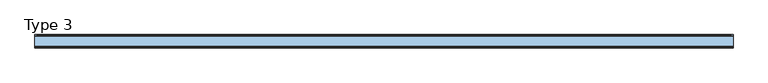
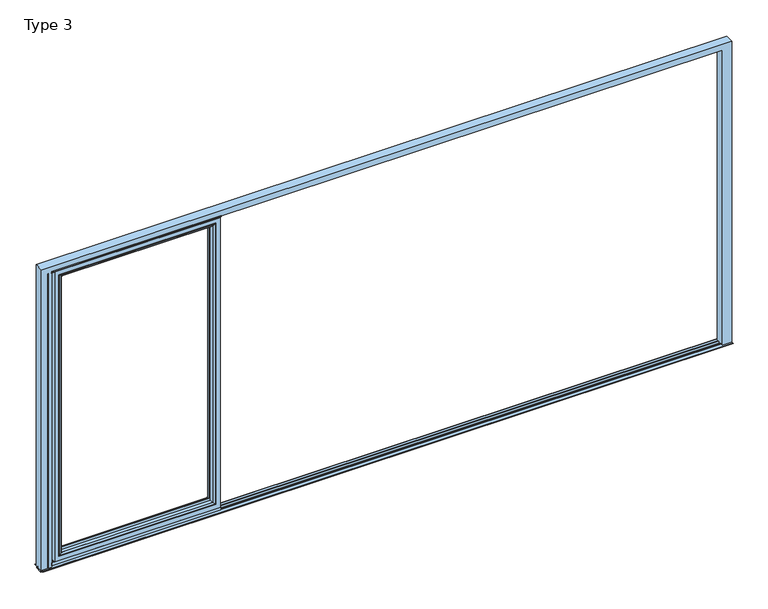
"""IFC4 building model written with IfcOpenShell, lengths in millimetres: window geometry, Type 3."""

from ifc_helpers import new_model, si_unit, point, frame, frame_2d, origin, place, context, project, spatial, polyline, circle_curve, ellipse_curve, trimmed, segment, composite_curve, outline, extrude, source, transform, mapped, element, save
from ifc_brep_helpers import plane_surface, cylinder_surface, advanced_brep


def type_3_8891b715(model_context):
    return source(origin(), model_context, "Body", "SolidModel", [
        advanced_brep(
        [(-1303.4245728, -64.5552044, 2283.0004272), (-1303.4245728, -37.9928974, 2283.0004272), (-1303.4245728, -37.9928974, 91.4995728), (-1303.4245728, -64.5552044, 91.4995728), (-1281.425, -37.9928974, 2305.0), (-1281.425, -37.9928974, 69.5), (-2459.5, -37.9928974, 69.5), (-2459.5, -37.9928974, 2305.0), (-2437.5004272, -37.9928974, 2283.0004272), (-2437.5004272, -37.9928974, 91.4995728), (-2437.5004272, -64.5552044, 91.4995728), (-1302.7150293, -65.8045072, 2283.7099707), (-1302.7150293, -65.8045072, 90.7900293), (-2438.2099707, -65.8045072, 90.7900293), (-1287.424939, -70.0, 2299.000061), (-1287.424939, -70.0, 75.499939), (-2453.500061, -70.0, 75.499939), (-2459.5, -70.0, 2305.0), (-2459.5, -70.0, 69.5), (-1281.425, -70.0, 69.5), (-1281.425, -70.0, 2305.0), (-2453.500061, -70.0, 2299.000061), (-2437.5004272, -64.5552044, 2283.0004272), (-2438.2099707, -65.8045072, 2283.7099707)],
        [
            (0, 1),
            (1, 2),
            (2, 3),
            (3, 0),
            (4, 5),
            (5, 6),
            (6, 7),
            (7, 4),
            (8, 9),
            (9, 2),
            (1, 8),
            (9, 10),
            (10, 3),
            (11, 0, ellipse_curve(frame((-1301.9699688, -64.5552044, 2284.4550312), z_axis=(0.7071067811865475, 0.0, -0.7071067811865475), x_axis=(0.7071067811865474, 0.0, 0.7071067811865476)), 2.0571207, 1.454604)),
            (3, 12, ellipse_curve(frame((-1301.9699688, -64.5552044, 90.0449688), z_axis=(0.7071067811865475, 0.0, 0.7071067811865475), x_axis=(-0.7071067811865474, 0.0, 0.7071067811865476)), 2.0571207, 1.454604)),
            (12, 11),
            (10, 13, ellipse_curve(frame((-2438.9550312, -64.5552044, 90.0449688), z_axis=(0.7071067811865475, 0.0, -0.7071067811865475), x_axis=(0.7071067811865476, 0.0, 0.7071067811865474)), 2.0571207, 1.454604)),
            (13, 12),
            (14, 11, ellipse_curve(frame((-1287.4888746, -40.2735922, 2298.9361254), z_axis=(0.7071067811865475, 0.0, -0.7071067811865475), x_axis=(0.7071067811865474, 0.0, 0.7071067811865476)), 42.0395863, 29.7264765)),
            (12, 15, ellipse_curve(frame((-1287.4888746, -40.2735922, 75.5638746), z_axis=(0.7071067811865475, 0.0, 0.7071067811865475), x_axis=(-0.7071067811865474, 0.0, 0.7071067811865476)), 42.0395863, 29.7264765)),
            (15, 14),
            (13, 16, ellipse_curve(frame((-2453.4361254, -40.2735922, 75.5638746), z_axis=(0.7071067811865475, 0.0, -0.7071067811865475), x_axis=(0.7071067811865476, 0.0, 0.7071067811865474)), 42.0395863, 29.7264765)),
            (16, 15),
            (17, 18),
            (18, 19),
            (19, 20),
            (20, 17),
            (16, 21),
            (21, 14),
            (4, 20),
            (19, 5),
            (18, 6),
            (8, 22),
            (22, 10),
            (22, 23, ellipse_curve(frame((-2438.9550312, -64.5552044, 2284.4550312), z_axis=(-0.7071067811865475, 0.0, -0.7071067811865475), x_axis=(0.7071067811865474, 0.0, -0.7071067811865476)), 2.0571207, 1.454604)),
            (23, 13),
            (23, 21, ellipse_curve(frame((-2453.4361254, -40.2735922, 2298.9361254), z_axis=(-0.7071067811865475, 0.0, -0.7071067811865475), x_axis=(0.7071067811865474, 0.0, -0.7071067811865476)), 42.0395863, 29.7264765)),
            (17, 7),
            (0, 22),
            (11, 23),
        ],
        [
            plane_surface(frame((-1303.4245728, -37.9928974, 2283.0004272), z_axis=(-1.0, 0.0, 0.0), x_axis=(0.0, 0.0, -1.0))),
            plane_surface(frame((-2459.5, -37.9928974, 69.5), z_axis=(0.0, 1.0, 0.0), x_axis=(0.0, 0.0, 1.0))),
            plane_surface(frame((-1303.4245728, -37.9928974, 91.4995728), z_axis=(0.0, 0.0, 1.0), x_axis=(-1.0, 0.0, 0.0))),
            cylinder_surface(frame((-1301.9699688, -64.5552044, 2283.0004272), z_axis=(0.0, 0.0, 1.0), x_axis=(1.0, 0.0, 0.0)), 1.454604),
            cylinder_surface(frame((-1303.4245728, -64.5552044, 90.0449688), z_axis=(1.0, 0.0, 0.0), x_axis=(0.0, 0.0, -1.0)), 1.454604),
            cylinder_surface(frame((-1287.4888746, -40.2735922, 2283.0004272), z_axis=(0.0, 0.0, 1.0), x_axis=(1.0, 0.0, 0.0)), 29.7264765),
            cylinder_surface(frame((-1303.4245728, -40.2735922, 75.5638746), z_axis=(1.0, 0.0, 0.0), x_axis=(0.0, 0.0, -1.0)), 29.7264765),
            plane_surface(frame((-2453.500061, -70.0, 75.499939), z_axis=(0.0, -1.0, 0.0), x_axis=(0.0, 0.0, 1.0))),
            plane_surface(frame((-1281.425, -70.0, 2305.0), z_axis=(1.0, 0.0, 0.0), x_axis=(0.0, 0.0, -1.0))),
            plane_surface(frame((-1281.425, -70.0, 69.5), z_axis=(0.0, 0.0, -1.0), x_axis=(-1.0, 0.0, 0.0))),
            plane_surface(frame((-2437.5004272, -37.9928974, 91.4995728), z_axis=(1.0, 0.0, 0.0), x_axis=(0.0, 0.0, 1.0))),
            cylinder_surface(frame((-2438.9550312, -64.5552044, 91.4995728), z_axis=(0.0, 0.0, -1.0), x_axis=(-1.0, 0.0, 0.0)), 1.454604),
            cylinder_surface(frame((-2453.4361254, -40.2735922, 91.4995728), z_axis=(0.0, 0.0, -1.0), x_axis=(-1.0, 0.0, 0.0)), 29.7264765),
            plane_surface(frame((-2459.5, -70.0, 69.5), z_axis=(-1.0, 0.0, 0.0), x_axis=(0.0, 0.0, 1.0))),
            plane_surface(frame((-2437.5004272, -37.9928974, 2283.0004272), z_axis=(0.0, 0.0, -1.0), x_axis=(1.0, 0.0, 0.0))),
            cylinder_surface(frame((-2437.5004272, -64.5552044, 2284.4550312), z_axis=(-1.0, 0.0, 0.0), x_axis=(0.0, 0.0, 1.0)), 1.454604),
            cylinder_surface(frame((-2437.5004272, -40.2735922, 2298.9361254), z_axis=(-1.0, 0.0, 0.0), x_axis=(0.0, 0.0, 1.0)), 29.7264765),
            plane_surface(frame((-2459.5, -70.0, 2305.0), z_axis=(0.0, 0.0, 1.0), x_axis=(1.0, 0.0, 0.0))),
        ],
        [
            (0, [[1, 2, 3, 4]]),
            (1, [[5, 6, 7, 8], [9, 10, -2, 11]]),
            (2, [[-3, -10, 12, 13]]),
            (3, [[14, -4, 15, 16]]),
            (4, [[-15, -13, 17, 18]]),
            (5, [[19, -16, 20, 21]]),
            (6, [[-20, -18, 22, 23]]),
            (7, [[24, 25, 26, 27], [-21, -23, 28, 29]]),
            (8, [[30, -26, 31, -5]]),
            (9, [[-31, -25, 32, -6]]),
            (10, [[-12, -9, 33, 34]]),
            (11, [[-17, -34, 35, 36]]),
            (12, [[-22, -36, 37, -28]]),
            (13, [[-32, -24, 38, -7]]),
            (14, [[-33, -11, -1, 39]]),
            (15, [[-35, -39, -14, 40]]),
            (16, [[-37, -40, -19, -29]]),
            (17, [[-38, -27, -30, -8]]),
        ],
    ),
        advanced_brep(
        [(-2491.5, -70.0, 2337.0), (-2491.5, 0.0, 2337.0), (-2491.5, 0.0, 37.5), (-2491.5, -70.0, 37.5), (-1249.425, 0.0, 37.5), (-1249.425, -70.0, 37.5), (-1249.425, 0.0, 2337.0), (-1298.9241901, 0.0, 86.9991901), (-1298.9241901, 0.0, 2287.5008099), (-2442.0008099, 0.0, 2287.5008099), (-2442.0008099, 0.0, 86.9991901), (-1249.425, -70.0, 2337.0), (-2459.5, -70.0, 69.5), (-2459.5, -70.0, 2305.0), (-1281.425, -70.0, 2305.0), (-1281.425, -70.0, 69.5), (-2459.5, -13.999939, 2305.0), (-2459.5, -13.999939, 69.5), (-1281.425, -13.999939, 69.5), (-1281.425, -13.999939, 2305.0), (-2437.5004272, -13.999939, 91.4995728), (-2437.5004272, -13.999939, 2283.0004272), (-1303.4245728, -13.999939, 2283.0004272), (-1303.4245728, -13.999939, 91.4995728), (-2437.5004272, -4.5004435, 2283.0004272), (-2437.5004272, -4.5004435, 91.4995728), (-1303.4245728, -4.5004435, 91.4995728), (-1303.4245728, -4.5004435, 2283.0004272)],
        [
            (0, 1),
            (1, 2),
            (2, 3),
            (3, 0),
            (2, 4),
            (4, 5),
            (5, 3),
            (1, 6),
            (6, 4),
            (7, 8),
            (8, 9),
            (9, 10),
            (10, 7),
            (6, 11),
            (11, 5),
            (11, 0),
            (12, 13),
            (13, 14),
            (14, 15),
            (15, 12),
            (16, 13),
            (12, 17),
            (17, 16),
            (15, 18),
            (18, 17),
            (14, 19),
            (19, 18),
            (19, 16),
            (20, 21),
            (21, 22),
            (22, 23),
            (23, 20),
            (24, 21),
            (20, 25),
            (25, 24),
            (23, 26),
            (26, 25),
            (22, 27),
            (27, 26),
            (10, 25, ellipse_curve(frame((-2442.0008099, -4.5004435, 86.9991901), z_axis=(0.7071067811865475, 0.0, -0.7071067811865475), x_axis=(-0.7071067811865476, 0.0, -0.7071067811865474)), 6.3645023, 4.5003827)),
            (26, 7, ellipse_curve(frame((-1298.9241901, -4.5004435, 86.9991901), z_axis=(-0.7071067811865475, 0.0, -0.7071067811865475), x_axis=(-0.7071067811865476, 0.0, 0.7071067811865474)), 6.3645023, 4.5003827)),
            (9, 24, ellipse_curve(frame((-2442.0008099, -4.5004435, 2287.5008099), z_axis=(-0.7071067811865475, 0.0, -0.7071067811865475), x_axis=(-0.7071067811865474, 0.0, 0.7071067811865476)), 6.3645023, 4.5003827)),
            (27, 8, ellipse_curve(frame((-1298.9241901, -4.5004435, 2287.5008099), z_axis=(0.7071067811865475, 0.0, -0.7071067811865475), x_axis=(-0.7071067811865474, 0.0, -0.7071067811865476)), 6.3645023, 4.5003827)),
            (24, 27),
        ],
        [
            plane_surface(frame((-2491.5, 0.0, 2337.0), z_axis=(-1.0, 0.0, 0.0), x_axis=(0.0, 0.0, -1.0))),
            plane_surface(frame((-2491.5, 0.0, 37.5), z_axis=(0.0, 0.0, -1.0), x_axis=(1.0, 0.0, 0.0))),
            plane_surface(frame((-2442.0008099, 0.0, 2287.5008099), z_axis=(0.0, 1.0, 0.0), x_axis=(0.0, 0.0, -1.0))),
            plane_surface(frame((-1249.425, 0.0, 37.5), z_axis=(1.0, 0.0, 0.0), x_axis=(0.0, 0.0, 1.0))),
            plane_surface(frame((-2491.5, -70.0, 2337.0), z_axis=(0.0, -1.0, 0.0), x_axis=(0.0, 0.0, -1.0))),
            plane_surface(frame((-2459.5, -70.0, 2305.0), z_axis=(1.0, 0.0, 0.0), x_axis=(0.0, 0.0, -1.0))),
            plane_surface(frame((-2459.5, -70.0, 69.5), z_axis=(0.0, 0.0, 1.0), x_axis=(1.0, 0.0, 0.0))),
            plane_surface(frame((-1281.425, -70.0, 69.5), z_axis=(-1.0, 0.0, 0.0), x_axis=(0.0, 0.0, 1.0))),
            plane_surface(frame((-2459.5, -13.999939, 2305.0), z_axis=(0.0, -1.0, 0.0), x_axis=(0.0, 0.0, -1.0))),
            plane_surface(frame((-2437.5004272, -13.999939, 2283.0004272), z_axis=(1.0, 0.0, 0.0), x_axis=(0.0, 0.0, -1.0))),
            plane_surface(frame((-2437.5004272, -13.999939, 91.4995728), z_axis=(0.0, 0.0, 1.0), x_axis=(1.0, 0.0, 0.0))),
            plane_surface(frame((-1303.4245728, -13.999939, 91.4995728), z_axis=(-1.0, 0.0, 0.0), x_axis=(0.0, 0.0, 1.0))),
            cylinder_surface(frame((-2497.5, -4.5004435, 86.9991901), z_axis=(-1.0, 0.0, 0.0), x_axis=(0.0, -1.0, 0.0)), 4.5003827),
            cylinder_surface(frame((-2442.0008099, -4.5004435, 2343.0), z_axis=(0.0, 0.0, 1.0), x_axis=(0.0, -1.0, 0.0)), 4.5003827),
            cylinder_surface(frame((-1298.9241901, -4.5004435, 31.5), z_axis=(0.0, 0.0, -1.0), x_axis=(0.0, -1.0, 0.0)), 4.5003827),
            plane_surface(frame((-1249.425, 0.0, 2337.0), z_axis=(0.0, 0.0, 1.0), x_axis=(-1.0, 0.0, 0.0))),
            plane_surface(frame((-1281.425, -70.0, 2305.0), z_axis=(0.0, 0.0, -1.0), x_axis=(-1.0, 0.0, 0.0))),
            plane_surface(frame((-1303.4245728, -13.999939, 2283.0004272), z_axis=(0.0, 0.0, -1.0), x_axis=(-1.0, 0.0, 0.0))),
            cylinder_surface(frame((-1243.425, -4.5004435, 2287.5008099), z_axis=(1.0, 0.0, 0.0), x_axis=(0.0, -1.0, 0.0)), 4.5003827),
        ],
        [
            (0, [[1, 2, 3, 4]]),
            (1, [[-3, 5, 6, 7]]),
            (2, [[-2, 8, 9, -5], [10, 11, 12, 13]]),
            (3, [[-6, -9, 14, 15]]),
            (4, [[-15, 16, -4, -7], [17, 18, 19, 20]]),
            (5, [[21, -17, 22, 23]]),
            (6, [[-22, -20, 24, 25]]),
            (7, [[-24, -19, 26, 27]]),
            (8, [[-27, 28, -23, -25], [29, 30, 31, 32]]),
            (9, [[33, -29, 34, 35]]),
            (10, [[-34, -32, 36, 37]]),
            (11, [[-36, -31, 38, 39]]),
            (12, [[40, -37, 41, -13]]),
            (13, [[42, -35, -40, -12]]),
            (14, [[-41, -39, 43, -10]]),
            (15, [[-14, -8, -1, -16]]),
            (16, [[-26, -18, -21, -28]]),
            (17, [[-38, -30, -33, 44]]),
            (18, [[-43, -44, -42, -11]]),
        ],
    ),
        extrude(outline(polyline([(-2514.0, -7.6000076), (-2514.0, 0.0), (-1243.425, 0.0), (-1243.425, -7.6000076), (-2514.0, -7.6000076)])), frame((0.0, 0.0, 15.4995117), z_axis=(0.0, 0.0, 1.0), x_axis=(1.0, 0.0, 0.0)), (0.0, 0.0, 1.0), 22.0004883),
        extrude(outline(polyline([(-2514.0, -70.0), (-2514.0, -62.2757497), (-1243.425, -62.2757497), (-1243.425, -70.0), (-2514.0, -70.0)])), frame((0.0, 0.0, 15.4995117), z_axis=(0.0, 0.0, 1.0), x_axis=(1.0, 0.0, 0.0)), (0.0, 0.0, 1.0), 22.0004883),
        extrude(outline(composite_curve([segment(polyline([(-52.044326, 2339.1400778), (-52.044326, 2337.0), (-70.0, 2337.0), (-71.8735116, 2343.9547971)]), True, "CONTINUOUS"), segment(trimmed(circle_curve(frame_2d((-69.9423544, 2344.4750201)), 2.0), [point((-71.8735116, 2343.9547971))], [point((-71.8738669, 2344.9939222))], False, "CARTESIAN"), True, "CONTINUOUS"), segment(polyline([(-71.8738669, 2344.9939222), (-70.8937897, 2348.6420698), (-70.0, 2348.6420698), (-70.0, 2342.963961), (-68.6363596, 2339.1400778), (-52.044326, 2339.1400778)]), True, "CONTINUOUS")], self_intersect=False)), frame((-2514.0, 0.0, 0.0), z_axis=(1.0, 0.0, 0.0), x_axis=(0.0, 1.0, 0.0)), (0.0, 0.0, 1.0), 1270.575),
        advanced_brep(
        [(-2540.0003662, -66.4999084, 0.0), (-2540.0003662, -70.0, 0.0), (-2540.0003662, -70.0, 2345.0), (-2540.0003662, -66.4999084, 2345.0), (-2545.0, -66.4999084, 0.0), (-2545.0, -66.4999084, 2345.0), (2540.0003662, -66.4999084, 0.0), (2545.0, -66.4999084, 0.0), (2545.0, -66.4999084, 2345.0), (2540.0003662, -66.4999084, 2345.0), (2540.0003662, -70.0, 0.0), (2540.0003662, -70.0, 2345.0), (-2514.0001526, -70.0, 0.0), (-2514.0001526, 0.0, 0.0), (-2514.0001526, 0.0, 2330.0000916), (-2514.0001526, 0.0, 2365.9997864), (-2514.0001526, -14.1501312, 2365.9997864), (-2514.0001526, -14.1501312, 2349.000061), (-2514.0001526, -23.7500839, 2349.000061), (-2514.0001526, -23.7500839, 2365.9997864), (-2514.0001526, -46.25, 2365.9997864), (-2514.0001526, -46.25, 2349.000061), (-2514.0001526, -55.8499756, 2349.000061), (-2514.0001526, -55.8499756, 2365.9997864), (-2514.0001526, -66.5, 2365.9997864), (-2514.0001526, -66.5, 2345.0), (-2514.0001526, -70.0, 2345.0), (2518.7961345, 0.0, 0.0), (2518.7961345, -70.0, 0.0), (2518.7961345, -70.0, 2345.0), (2518.7961345, -66.5, 2345.0), (2518.7961345, -66.5, 2365.9997864), (2518.7961345, -55.8499756, 2365.9997864), (2518.7961345, -55.8499756, 2349.000061), (2518.7961345, -46.25, 2349.000061), (2518.7961345, -46.25, 2365.9997864), (2518.7961345, -23.7500839, 2365.9997864), (2518.7961345, -23.7500839, 2349.000061), (2518.7961345, -14.1501312, 2349.000061), (2518.7961345, -14.1501312, 2365.9997864), (2518.7961345, 0.0, 2365.9997864), (2518.7961345, 0.0, 2330.0000916), (-2530.0000916, 0.0, 0.0), (-2530.0000916, 0.0, 2330.0000916), (2530.0000916, 0.0, 0.0), (2530.0000916, 0.0, 2330.0000916), (2590.0, 0.0, 0.0), (2577.999939, 0.0, 0.0), (2577.999939, 0.0, 2377.999939), (-2577.999939, 0.0, 2377.999939), (-2577.999939, 0.0, 0.0), (-2590.0, 0.0, 0.0), (-2590.0, 0.0, 2390.0), (2590.0, 0.0, 2390.0), (-2545.0, -70.0, 0.0), (-2590.0, -70.0, 0.0), (-2577.999939, 5.4999847, 0.0), (-2573.499939, 9.9999847, 0.0), (-2532.5000916, 9.9999847, 0.0), (-2530.0000916, 7.4999847, 0.0), (-2545.0, -70.0, 2345.0), (2545.0, -70.0, 0.0), (2590.0, -70.0, 0.0), (2590.0, -70.0, 2390.0), (-2590.0, -70.0, 2390.0), (2545.0, -70.0, 2345.0), (-2577.999939, 5.4999847, 2377.999939), (-2573.499939, 9.9999847, 2373.499939), (2573.499939, 9.9999847, 0.0), (2532.5000916, 9.9999847, 0.0), (2532.5000916, 9.9999847, 2332.5000916), (-2532.5000916, 9.9999847, 2332.5000916), (2573.499939, 9.9999847, 2373.499939), (-2530.0000916, 7.4999847, 2330.0000916), (2530.0000916, 7.4999847, 0.0), (2577.999939, 5.4999847, 0.0), (2577.999939, 5.4999847, 2377.999939), (2530.0000916, 7.4999847, 2330.0000916)],
        [
            (0, 1),
            (1, 2),
            (2, 3),
            (3, 0),
            (4, 0),
            (3, 5),
            (5, 4),
            (6, 7),
            (7, 8),
            (8, 9),
            (9, 6),
            (10, 6),
            (9, 11),
            (11, 10),
            (12, 13),
            (13, 14),
            (14, 15),
            (15, 16),
            (16, 17),
            (17, 18),
            (18, 19),
            (19, 20),
            (20, 21),
            (21, 22),
            (22, 23),
            (23, 24),
            (24, 25),
            (25, 26),
            (26, 12),
            (27, 28),
            (28, 29),
            (29, 30),
            (30, 31),
            (31, 32),
            (32, 33),
            (33, 34),
            (34, 35),
            (35, 36),
            (36, 37),
            (37, 38),
            (38, 39),
            (39, 40),
            (40, 41),
            (41, 27),
            (13, 42),
            (42, 43),
            (43, 14),
            (44, 27),
            (41, 45),
            (45, 44),
            (46, 47),
            (47, 48),
            (48, 49),
            (49, 50),
            (50, 51),
            (51, 52),
            (52, 53),
            (53, 46),
            (4, 54),
            (54, 55),
            (55, 51),
            (50, 56),
            (56, 57, circle_curve(frame((-2573.499939, 5.4999847, 0.0), z_axis=(0.0, 0.0, -1.0), x_axis=(1.0, 0.0, 0.0)), 4.5)),
            (57, 58),
            (58, 59, circle_curve(frame((-2532.5000916, 7.4999847, 0.0), z_axis=(0.0, 0.0, -1.0), x_axis=(1.0, 0.0, 0.0)), 2.5)),
            (59, 42),
            (12, 1),
            (60, 54),
            (5, 60),
            (61, 62),
            (62, 63),
            (63, 64),
            (64, 55),
            (60, 2),
            (26, 29),
            (28, 10),
            (11, 65),
            (65, 61),
            (64, 52),
            (49, 66),
            (66, 56),
            (67, 57),
            (66, 67, ellipse_curve(frame((-2573.499939, 5.4999847, 2373.499939), z_axis=(-0.7071067811865475, 0.0, -0.7071067811865475), x_axis=(-0.7071067811865474, 0.0, 0.7071067811865476)), 6.363961, 4.5)),
            (68, 69),
            (69, 70),
            (70, 71),
            (71, 58),
            (67, 72),
            (72, 68),
            (71, 73, ellipse_curve(frame((-2532.5000916, 7.4999847, 2332.5000916), z_axis=(-0.7071067811865475, 0.0, -0.7071067811865475), x_axis=(-0.7071067811865474, 0.0, 0.7071067811865476)), 3.5355339, 2.5)),
            (73, 59),
            (73, 43),
            (44, 74),
            (74, 69, circle_curve(frame((2532.5000916, 7.4999847, 0.0), z_axis=(0.0, 0.0, -1.0), x_axis=(-1.0, 0.0, 0.0)), 2.5)),
            (68, 75, circle_curve(frame((2573.499939, 5.4999847, 0.0), z_axis=(0.0, 0.0, -1.0), x_axis=(-1.0, 0.0, 0.0)), 4.5)),
            (75, 47),
            (46, 62),
            (61, 7),
            (53, 63),
            (65, 8),
            (75, 76),
            (76, 48),
            (45, 77),
            (77, 74),
            (77, 70, ellipse_curve(frame((2532.5000916, 7.4999847, 2332.5000916), z_axis=(0.7071067811865475, 0.0, -0.7071067811865475), x_axis=(-0.7071067811865474, 0.0, -0.7071067811865476)), 3.5355339, 2.5)),
            (72, 76, ellipse_curve(frame((2573.499939, 5.4999847, 2373.499939), z_axis=(0.7071067811865475, 0.0, -0.7071067811865475), x_axis=(-0.7071067811865474, 0.0, -0.7071067811865476)), 6.363961, 4.5)),
            (25, 30),
            (40, 15),
            (14, 41),
            (39, 16),
            (38, 17),
            (37, 18),
            (36, 19),
            (35, 20),
            (34, 21),
            (33, 22),
            (32, 23),
            (31, 24),
            (76, 66),
            (73, 77),
        ],
        [
            plane_surface(frame((-2540.0003662, -66.4999084, 2390.0), z_axis=(-1.0, 0.0, 0.0), x_axis=(0.0, 0.0, -1.0))),
            plane_surface(frame((-2565.9997864, -66.4999084, 2390.0), z_axis=(0.0, -1.0, 0.0), x_axis=(0.0, 0.0, -1.0))),
            plane_surface(frame((2540.0003662, -66.4999084, 2390.0), z_axis=(0.0, -1.0, 0.0), x_axis=(0.0, 0.0, -1.0))),
            plane_surface(frame((2540.0003662, -70.0, 2390.0), z_axis=(1.0, 0.0, 0.0), x_axis=(0.0, 0.0, -1.0))),
            plane_surface(frame((-2514.0001526, -70.0, 2390.0), z_axis=(1.0, 0.0, 0.0), x_axis=(0.0, 0.0, -1.0))),
            plane_surface(frame((2518.7961345, 0.0, 2390.0), z_axis=(-1.0, 0.0, 0.0), x_axis=(0.0, 0.0, -1.0))),
            plane_surface(frame((-2514.0001526, 0.0, 2390.0), z_axis=(0.0, 1.0, 0.0), x_axis=(0.0, 0.0, -1.0))),
            plane_surface(frame((-2590.0, -70.0, 0.0), z_axis=(0.0, 0.0, -1.0), x_axis=(0.0, -1.0, 0.0))),
            plane_surface(frame((-2545.0, -70.0, 2345.0), z_axis=(1.0, 0.0, 0.0), x_axis=(0.0, 0.0, -1.0))),
            plane_surface(frame((-2540.0003662, -70.0, 2390.0), z_axis=(0.0, -1.0, 0.0), x_axis=(0.0, 0.0, -1.0))),
            plane_surface(frame((-2590.0, 0.0, 2390.0), z_axis=(-1.0, 0.0, 0.0), x_axis=(0.0, 0.0, -1.0))),
            plane_surface(frame((-2577.999939, 5.4999847, 2377.999939), z_axis=(-1.0, 0.0, 0.0), x_axis=(0.0, 0.0, -1.0))),
            cylinder_surface(frame((-2573.499939, 5.4999847, 2390.0), z_axis=(0.0, 0.0, 1.0), x_axis=(1.0, 0.0, 0.0)), 4.5),
            plane_surface(frame((2532.5000916, 9.9999847, 0.0), z_axis=(0.0, 1.0, 0.0), x_axis=(0.0, 0.0, 1.0))),
            cylinder_surface(frame((-2532.5000916, 7.4999847, 2390.0), z_axis=(0.0, 0.0, 1.0), x_axis=(1.0, 0.0, 0.0)), 2.5),
            plane_surface(frame((-2530.0000916, 0.0, 2330.0000916), z_axis=(1.0, 0.0, 0.0), x_axis=(0.0, 0.0, -1.0))),
            plane_surface(frame((2590.0, -70.0, 0.0), z_axis=(0.0, 0.0, -1.0), x_axis=(0.0, -1.0, 0.0))),
            plane_surface(frame((2590.0, 0.0, 0.0), z_axis=(1.0, 0.0, 0.0), x_axis=(0.0, 0.0, 1.0))),
            plane_surface(frame((2545.0, -70.0, 0.0), z_axis=(-1.0, 0.0, 0.0), x_axis=(0.0, 0.0, 1.0))),
            plane_surface(frame((2577.999939, 5.4999847, 0.0), z_axis=(1.0, 0.0, 0.0), x_axis=(0.0, 0.0, 1.0))),
            plane_surface(frame((2530.0000916, 0.0, 0.0), z_axis=(-1.0, 0.0, 0.0), x_axis=(0.0, 0.0, 1.0))),
            cylinder_surface(frame((2532.5000916, 7.4999847, 0.0), z_axis=(0.0, 0.0, -1.0), x_axis=(-1.0, 0.0, 0.0)), 2.5),
            cylinder_surface(frame((2573.499939, 5.4999847, 0.0), z_axis=(0.0, 0.0, -1.0), x_axis=(-1.0, 0.0, 0.0)), 4.5),
            plane_surface(frame((-2590.0, -70.0, 2390.0), z_axis=(0.0, 0.0, 1.0), x_axis=(0.0, -1.0, 0.0))),
            plane_surface(frame((2545.0, -70.0, 2345.0), z_axis=(0.0, 0.0, -1.0), x_axis=(-1.0, 0.0, 0.0))),
            plane_surface(frame((2565.9997864, 0.0, 0.0), z_axis=(0.0, -1.0, 0.0), x_axis=(0.0, 0.0, 1.0))),
            plane_surface(frame((2565.9997864, -14.1501312, 2365.9997864), z_axis=(0.0, 0.0, -1.0), x_axis=(-1.0, 0.0, 0.0))),
            plane_surface(frame((2549.000061, -14.1501312, 0.0), z_axis=(0.0, 1.0, 0.0), x_axis=(0.0, 0.0, 1.0))),
            plane_surface(frame((2549.000061, -23.7500839, 2349.000061), z_axis=(0.0, 0.0, -1.0), x_axis=(-1.0, 0.0, 0.0))),
            plane_surface(frame((2565.9997864, -23.7500839, 0.0), z_axis=(0.0, -1.0, 0.0), x_axis=(0.0, 0.0, 1.0))),
            plane_surface(frame((2565.9997864, -46.25, 2365.9997864), z_axis=(0.0, 0.0, -1.0), x_axis=(-1.0, 0.0, 0.0))),
            plane_surface(frame((2549.000061, -46.25, 0.0), z_axis=(0.0, 1.0, 0.0), x_axis=(0.0, 0.0, 1.0))),
            plane_surface(frame((2549.000061, -55.8499756, 2349.000061), z_axis=(0.0, 0.0, -1.0), x_axis=(-1.0, 0.0, 0.0))),
            plane_surface(frame((2565.9997864, -55.8499756, 0.0), z_axis=(0.0, -1.0, 0.0), x_axis=(0.0, 0.0, 1.0))),
            plane_surface(frame((2565.9997864, -66.5, 2365.9997864), z_axis=(0.0, 0.0, -1.0), x_axis=(-1.0, 0.0, 0.0))),
            plane_surface(frame((2545.0, -66.5, 0.0), z_axis=(0.0, 1.0, 0.0), x_axis=(0.0, 0.0, 1.0))),
            plane_surface(frame((2577.999939, 5.4999847, 2377.999939), z_axis=(0.0, 0.0, 1.0), x_axis=(-1.0, 0.0, 0.0))),
            plane_surface(frame((2530.0000916, 0.0, 2330.0000916), z_axis=(0.0, 0.0, -1.0), x_axis=(-1.0, 0.0, 0.0))),
            cylinder_surface(frame((2590.0, 7.4999847, 2332.5000916), z_axis=(1.0, 0.0, 0.0), x_axis=(0.0, 0.0, -1.0)), 2.5),
            cylinder_surface(frame((2590.0, 5.4999847, 2373.499939), z_axis=(1.0, 0.0, 0.0), x_axis=(0.0, 0.0, -1.0)), 4.5),
        ],
        [
            (0, [[1, 2, 3, 4]]),
            (1, [[5, -4, 6, 7]]),
            (2, [[8, 9, 10, 11]]),
            (3, [[12, -11, 13, 14]]),
            (4, [[15, 16, 17, 18, 19, 20, 21, 22, 23, 24, 25, 26, 27, 28, 29]]),
            (5, [[30, 31, 32, 33, 34, 35, 36, 37, 38, 39, 40, 41, 42, 43, 44]]),
            (6, [[45, 46, 47, -16]]),
            (6, [[48, -44, 49, 50]]),
            (6, [[51, 52, 53, 54, 55, 56, 57, 58]]),
            (7, [[-1, -5, 59, 60, 61, -55, 62, 63, 64, 65, 66, -45, -15, 67]]),
            (8, [[68, -59, -7, 69]]),
            (9, [[70, 71, 72, 73, -60, -68, 74, -2, -67, -29, 75, -31, 76, -14, 77, 78]]),
            (10, [[-56, -61, -73, 79]]),
            (11, [[-54, 80, 81, -62]]),
            (12, [[82, -63, -81, 83]]),
            (13, [[84, 85, 86, 87, -64, -82, 88, 89]]),
            (14, [[-87, 90, 91, -65]]),
            (15, [[92, -46, -66, -91]]),
            (16, [[-76, -30, -48, 93, 94, -84, 95, 96, -51, 97, -70, 98, -8, -12]]),
            (17, [[-97, -58, 99, -71]]),
            (18, [[-98, -78, 100, -9]]),
            (19, [[-96, 101, 102, -52]]),
            (20, [[-93, -50, 103, 104]]),
            (21, [[-94, -104, 105, -85]]),
            (22, [[-95, -89, 106, -101]]),
            (23, [[-99, -57, -79, -72]]),
            (24, [[-100, -77, -13, -10]]),
            (24, [[-75, -28, 107, -32]]),
            (24, [[-69, -6, -3, -74]]),
            (25, [[108, -17, 109, -43]]),
            (26, [[-108, -42, 110, -18]]),
            (27, [[111, -19, -110, -41]]),
            (28, [[-111, -40, 112, -20]]),
            (29, [[113, -21, -112, -39]]),
            (30, [[-113, -38, 114, -22]]),
            (31, [[115, -23, -114, -37]]),
            (32, [[-115, -36, 116, -24]]),
            (33, [[117, -25, -116, -35]]),
            (34, [[-117, -34, 118, -26]]),
            (35, [[-107, -27, -118, -33]]),
            (36, [[-53, -102, 119, -80]]),
            (37, [[-103, -49, -109, -47, -92, 120]]),
            (38, [[-105, -120, -90, -86]]),
            (39, [[-88, -83, -119, -106]]),
        ],
    ),
        extrude(outline(polyline([(15.0, 1.0391775), (15.0, 0.0), (-6.000061, 0.0), (-6.000061, -12.4999924), (-64.000061, -12.4999924), (-64.000061, 0.0), (-85.0000807, 0.0), (-85.0000807, 1.0392014), (-80.7379205, 3.4999924), (-53.5502106, 3.4999924), (-53.5502106, 7.1000061), (-46.250061, 7.1000061), (-46.250061, -8.6999969), (-23.750061, -8.6999969), (-23.750061, 7.1000061), (-16.4499115, 7.1000061), (-16.4499115, 3.5000076), (10.737772, 3.5000076), (15.0, 1.0391775)])), frame((-2590.0, 0.0, 0.0), z_axis=(1.0, 0.0, 0.0), x_axis=(0.0, 1.0, 0.0)), (0.0, 0.0, 1.0), 5180.0),
    ])


if __name__ == "__main__":
    model = new_model("IFC4")
    model_context = context("Model", 3, world=origin())
    ifc_project = project(units=[si_unit("LENGTHUNIT", "METRE", prefix="MILLI")], contexts=[model_context])
    site = spatial("IfcSite", under=ifc_project)
    building = spatial("IfcBuilding", under=site)
    placement = place(None, origin())
    type_3_shape = type_3_8891b715(model_context)
    element("IfcWindow", 1, ObjectType="Type 3", at=placement, inside=building, context=model_context, shape_type="MappedRepresentation", body=[
        mapped(type_3_shape, transform((0.0, 0.0, 0.0), x_axis=(1.0, 0.0, 0.0), y_axis=(0.0, 1.0, 0.0), z_axis=(0.0, 0.0, 1.0))),
    ])
    save(model, "model.ifc")
